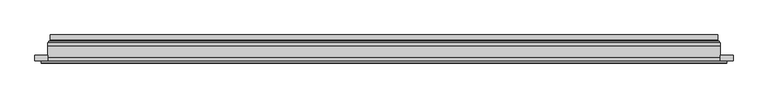
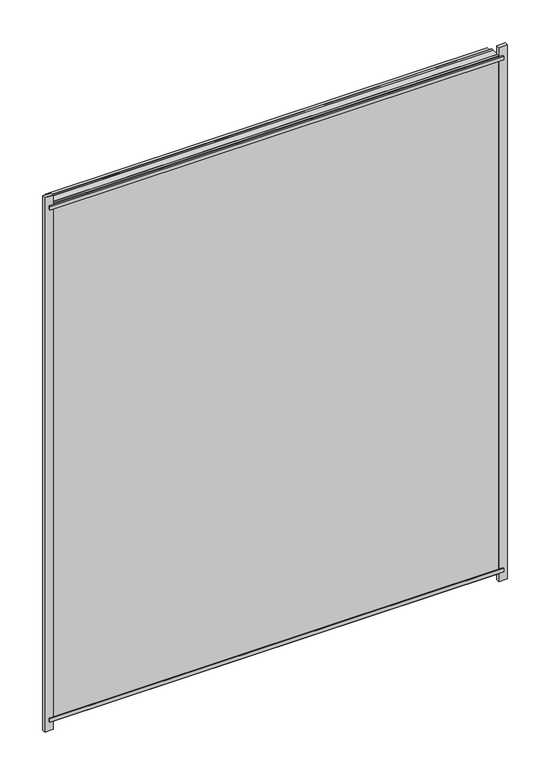
"""IFC4 building model written with IfcOpenShell, lengths in millimetres: plate geometry."""

import ifcopenshell
import ifcopenshell.guid

model = None  # the IFC model being written
_history = None  # IfcOwnerHistory: only IFC2X3 demands one
_inside = {}  # id of a spatial element -> (the spatial element, [elements in it])
_under = {}  # id of a project, library or spatial element -> (it, [spatial elements below it])
_declared = {}  # id of a project -> (the project, [libraries it declares])
_typed = {}  # id of a type object -> (the type object, [elements of that type])
_made_of = {}  # id of a material, layer set ... -> (it, [elements and type objects made of it])


def new_model(schema):
    """Start an empty IFC model of exactly this schema.

    Asked for "IFC4X3", IfcOpenShell would pick the latest addendum, in which some entities
    have other attributes; the version numbers below select the first issue.
    IFC2X3 requires an IfcOwnerHistory on every rooted entity: one is made here for all.
    """
    global model, _history
    if schema == "IFC4X3":
        model = ifcopenshell.file(schema_version=(4, 3, 0, 0))
    else:
        model = ifcopenshell.file(schema=schema)
    _inside.clear()
    _under.clear()
    _declared.clear()
    _typed.clear()
    _made_of.clear()
    _history = None
    if model.schema == "IFC2X3":
        org = make("IfcOrganization", Name="unknown")
        user = make(
            "IfcPersonAndOrganization",
            ThePerson=make("IfcPerson", FamilyName="unknown"),
            TheOrganization=org,
        )
        app = make(
            "IfcApplication",
            ApplicationDeveloper=org,
            Version="unknown",
            ApplicationFullName="unknown",
            ApplicationIdentifier="unknown",
        )
        _history = make(
            "IfcOwnerHistory",
            OwningUser=user,
            OwningApplication=app,
            ChangeAction="ADDED",
            CreationDate=0,
        )
    return model


def make(cls, **values):
    """One entity of the class cls with the attributes given. An attribute that is None is left unset."""
    return model.create_entity(
        cls, **{name: value for name, value in values.items() if value is not None}
    )


def rooted(cls, **values):
    """An entity with a GlobalId (a new one), such as an element, a storey or a relation."""
    return make(cls, GlobalId=ifcopenshell.guid.new(), OwnerHistory=_history, **values)


def si_unit(unit_type, name, prefix=None):
    """IfcSIUnit, for example si_unit("LENGTHUNIT", "METRE", prefix="MILLI")."""
    return make("IfcSIUnit", UnitType=unit_type, Prefix=prefix, Name=name)


def assignment(units):
    """IfcUnitAssignment: the units of a project."""
    return None if units is None else make("IfcUnitAssignment", Units=units)


def point(xyz):
    """IfcCartesianPoint."""
    return None if xyz is None else make("IfcCartesianPoint", Coordinates=xyz)


def direction(xyz):
    """IfcDirection."""
    return None if xyz is None else make("IfcDirection", DirectionRatios=xyz)


def frame(location, z_axis=None, x_axis=None):
    """IfcAxis2Placement3D, a coordinate frame: its origin and axes. An axis left out is left unset."""
    return make(
        "IfcAxis2Placement3D",
        Location=point(location),
        Axis=direction(z_axis),
        RefDirection=direction(x_axis),
    )


def origin():
    """The frame at (0, 0, 0) with its axes left unset."""
    return frame((0.0, 0.0, 0.0))


def place(relative_to, where):
    """IfcLocalPlacement: puts the frame where relative to a parent placement (None: the world)."""
    return make(
        "IfcLocalPlacement", PlacementRelTo=relative_to, RelativePlacement=where
    )


def context(
    kind, dimensions, precision=None, world=None, true_north=None, identifier=None
):
    """IfcGeometricRepresentationContext, for example the 3D "Model" context."""
    return make(
        "IfcGeometricRepresentationContext",
        ContextIdentifier=identifier,
        ContextType=kind,
        CoordinateSpaceDimension=dimensions,
        Precision=precision,
        WorldCoordinateSystem=world,
        TrueNorth=true_north,
    )


def project(units=None, contexts=None):
    """IfcProject with its units and contexts."""
    return rooted(
        "IfcProject",
        Name="project",
        RepresentationContexts=contexts,
        UnitsInContext=assignment(units),
    )


def spatial(cls, under=None, at=None, **own):
    """A site, building, storey or space (cls), placed at a placement, below another one or the project."""
    s = rooted(cls, ObjectPlacement=at, **own)
    if under is not None:
        _under.setdefault(under.id(), (under, []))[1].append(s)
    return s


def polyline(points):
    """IfcPolyline through the points."""
    return make("IfcPolyline", Points=[point(p) for p in points])


def ellipse_curve(where, semi_axis1, semi_axis2):
    """IfcEllipse in the frame where."""
    return make(
        "IfcEllipse", Position=where, SemiAxis1=semi_axis1, SemiAxis2=semi_axis2
    )


def outline(outer, holes=None, kind="AREA"):
    """IfcArbitraryClosedProfileDef: a profile drawn as a closed curve; with holes, ...WithVoids."""
    if holes is None:
        return make("IfcArbitraryClosedProfileDef", ProfileType=kind, OuterCurve=outer)
    return make(
        "IfcArbitraryProfileDefWithVoids",
        ProfileType=kind,
        OuterCurve=outer,
        InnerCurves=holes,
    )


def extrude(swept, where, along, depth):
    """IfcExtrudedAreaSolid: the profile swept, set in the frame where, extruded along a direction by depth."""
    return make(
        "IfcExtrudedAreaSolid",
        SweptArea=swept,
        Position=where,
        ExtrudedDirection=direction(along),
        Depth=depth,
    )


def shape(context_of_items, identifier, shape_type, items):
    """IfcShapeRepresentation: the items that make up one representation, for example the "Body"."""
    return make(
        "IfcShapeRepresentation",
        ContextOfItems=context_of_items,
        RepresentationIdentifier=identifier,
        RepresentationType=shape_type,
        Items=items,
    )


def source(mapping_origin, context_of_items, identifier, shape_type, items):
    """IfcRepresentationMap: a shape defined once, which mapped items show again and again."""
    return make(
        "IfcRepresentationMap",
        MappingOrigin=mapping_origin,
        MappedRepresentation=shape(context_of_items, identifier, shape_type, items),
    )


def transform(
    local_origin,
    x_axis=None,
    y_axis=None,
    z_axis=None,
    scale=None,
    scale2=None,
    scale3=None,
    uniform=True,
):
    """IfcCartesianTransformationOperator3D, or its non-uniform kind. x_axis, y_axis, z_axis: its Axis1, 2, 3."""
    if uniform:
        return make(
            "IfcCartesianTransformationOperator3D",
            Axis1=direction(x_axis),
            Axis2=direction(y_axis),
            LocalOrigin=point(local_origin),
            Scale=scale,
            Axis3=direction(z_axis),
        )
    return make(
        "IfcCartesianTransformationOperator3DnonUniform",
        Axis1=direction(x_axis),
        Axis2=direction(y_axis),
        LocalOrigin=point(local_origin),
        Scale=scale,
        Axis3=direction(z_axis),
        Scale2=scale2,
        Scale3=scale3,
    )


def mapped(mapping_source, mapping_target):
    """IfcMappedItem: shows the shape of a source again, moved by a transform."""
    return make(
        "IfcMappedItem", MappingSource=mapping_source, MappingTarget=mapping_target
    )


def made_of(thing, what):
    """Note that an element or type object is made of a material, layer set ...; save() writes the relation."""
    if what is not None:
        _made_of.setdefault(what.id(), (what, []))[1].append(thing)
    return thing


def element(
    cls,
    number,
    at=None,
    inside=None,
    cuts=None,
    type_object=None,
    material=None,
    context=None,
    identifier="Body",
    shape_type=None,
    held_by="IfcProductDefinitionShape",
    body=None,
    shapes=None,
    **own,
):
    """One element of the class cls, such as IfcWall. Its Tag is "e" and its number.

    at: its placement. inside: the storey or other place that contains it. cuts: it is an
    opening in that element (IfcRelVoidsElement). A single representation is given by context,
    identifier, shape_type and body (its items); several are given by shapes. held_by: the class
    of the entity that holds the representations. save() writes the other relations.
    """
    e = rooted(cls, Tag="e%d" % number, ObjectPlacement=at, **own)
    if body is not None:
        shapes = [shape(context, identifier, shape_type, body)]
    if shapes is not None:
        e.Representation = make(held_by, Representations=shapes)
    if inside is not None:
        _inside.setdefault(inside.id(), (inside, []))[1].append(e)
    if cuts is not None:
        rooted(
            "IfcRelVoidsElement", RelatingBuildingElement=cuts, RelatedOpeningElement=e
        )
    if type_object is not None:
        _typed.setdefault(type_object.id(), (type_object, []))[1].append(e)
    return made_of(e, material)


def aggregate(whole, parts):
    """IfcRelAggregates: a whole, such as a stair, and the parts it consists of."""
    return rooted("IfcRelAggregates", RelatingObject=whole, RelatedObjects=parts)


def save(model, path):
    """Write the relations noted so far, then the file.

    IfcRelAggregates (storeys below a building ...), IfcRelContainedInSpatialStructure (elements
    in a storey), IfcRelDefinesByType, IfcRelAssociatesMaterial and IfcRelDeclares: one each for
    every whole, place, type object, material and project.
    """
    for whole, parts in _under.values():
        aggregate(whole, parts)
    for where, things in _inside.values():
        rooted(
            "IfcRelContainedInSpatialStructure",
            RelatedElements=things,
            RelatingStructure=where,
        )
    for kind, things in _typed.values():
        rooted("IfcRelDefinesByType", RelatedObjects=things, RelatingType=kind)
    for what, things in _made_of.values():
        rooted("IfcRelAssociatesMaterial", RelatedObjects=things, RelatingMaterial=what)
    for by, libraries in _declared.values():
        rooted("IfcRelDeclares", RelatingContext=by, RelatedDefinitions=libraries)
    model.write(path)


def plane_surface(at):
    """IfcPlane: the flat surface through the origin of the frame at, square to its z axis."""
    return make("IfcPlane", Position=at)


def cylinder_surface(at, radius):
    """IfcCylindricalSurface: all points at the distance radius from the z axis of the frame at."""
    return make("IfcCylindricalSurface", Position=at, Radius=radius)


def revolved_surface(curve, axis_point, axis_direction):
    """IfcSurfaceOfRevolution: the curve turned about the line through axis_point along axis_direction."""
    return make(
        "IfcSurfaceOfRevolution",
        SweptCurve=make("IfcArbitraryOpenProfileDef", ProfileType="CURVE", Curve=curve),
        AxisPosition=make("IfcAxis1Placement", Location=point(axis_point), Axis=direction(axis_direction)),
    )


def advanced_brep(points, edges, surfaces, faces):
    """IfcAdvancedBrep: a solid bounded by faces that lie on surfaces and meet in shared edges.

    An edge is (start, end): straight between two places in points (the first is 0);
    or (start, end, curve); or (start, end, curve, False) where it runs against its curve.
    A face is (place in surfaces, loops), or (place, loops, False) where it looks against
    its surface's normal. A loop lists edges by number (the first is 1), with a minus sign
    where the edge is run from its end to its start. The first loop is the outer one.
    """
    corners = [point(p) for p in points]
    vertices = [make("IfcVertexPoint", VertexGeometry=c) for c in corners]
    made = []
    for start, end, *more in edges:
        made.append(
            make(
                "IfcEdgeCurve",
                EdgeStart=vertices[start],
                EdgeEnd=vertices[end],
                EdgeGeometry=more[0] if more else make("IfcPolyline", Points=[corners[start], corners[end]]),
                SameSense=more[1] if len(more) > 1 else True,
            )
        )
    hull = []
    for where, loops, *sense in faces:
        bounds = []
        for j, loop in enumerate(loops):
            ring = [make("IfcOrientedEdge", EdgeElement=made[abs(k) - 1], Orientation=k > 0) for k in loop]
            bounds.append(
                make(
                    "IfcFaceOuterBound" if j == 0 else "IfcFaceBound",
                    Bound=make("IfcEdgeLoop", EdgeList=ring),
                    Orientation=True,
                )
            )
        hull.append(make("IfcAdvancedFace", Bounds=bounds, FaceSurface=surfaces[where], SameSense=sense[0] if sense else True))
    return make("IfcAdvancedBrep", Outer=make("IfcClosedShell", CfsFaces=hull))


def plate_c7b25fd7(model_context):
    return source(origin(), model_context, "Body", "SolidModel", [
        extrude(outline(polyline([(612.5, -27.0), (-612.5, -27.0), (-612.5, -23.0), (612.5, -23.0), (612.5, -27.0)])), frame((0.0, 0.0, 1469.5000001), z_axis=(0.0, 0.0, 1.0), x_axis=(1.0, 0.0, 0.0)), (0.0, 0.0, 1.0), 10.0),
        extrude(outline(polyline([(612.5, -27.0), (-612.5, -27.0), (-612.5, -23.0), (612.5, -23.0), (612.5, -27.0)])), frame((0.0, 0.0, 9.5), z_axis=(0.0, 0.0, 1.0), x_axis=(1.0, 0.0, 0.0)), (0.0, 0.0, 1.0), 10.0),
        extrude(outline(polyline([(-624.0, -23.0), (-624.0, -13.51), (-601.0, -13.51), (-601.0, -23.0), (-624.0, -23.0)])), frame((0.0, 0.0, -17.0), z_axis=(0.0, 0.0, 1.0), x_axis=(1.0, 0.0, 0.0)), (0.0, 0.0, 1.0), 1523.0000001),
        extrude(outline(polyline([(624.0, -23.0), (601.0, -23.0), (601.0, -13.51), (624.0, -13.51), (624.0, -23.0)])), frame((0.0, 0.0, -17.0), z_axis=(0.0, 0.0, 1.0), x_axis=(1.0, 0.0, 0.0)), (0.0, 0.0, 1.0), 1523.0000001),
        extrude(outline(polyline([(6.0, -601.0), (6.0, 601.0), (1483.0000001, 601.0), (1483.0000001, -601.0), (6.0, -601.0)]), holes=[polyline([(28.0, 579.0), (28.0, -579.0), (1461.0000001, -579.0), (1461.0000001, 579.0), (28.0, 579.0)])]), frame((0.0, -17.0, 0.0), z_axis=(0.0, 1.0, 0.0), x_axis=(0.0, 0.0, 1.0)), (0.0, 0.0, 1.0), 20.0),
        extrude(outline(polyline([(28.0, -579.0), (28.0, 579.0), (1461.0000001, 579.0), (1461.0000001, -579.0), (28.0, -579.0)]), holes=[polyline([(33.0, 574.0), (33.0, -574.0), (1456.0000001, -574.0), (1456.0000001, 574.0), (33.0, 574.0)])]), frame((0.0, -17.0, 0.0), z_axis=(0.0, 1.0, 0.0), x_axis=(0.0, 0.0, 1.0)), (0.0, 0.0, 1.0), 20.0),
        extrude(outline(polyline([(601.0, 9.0), (601.0, 3.0), (-601.0, 3.0), (-601.0, 9.0), (601.0, 9.0)])), frame((0.0, 0.0, 6.0), z_axis=(0.0, 0.0, 1.0), x_axis=(1.0, 0.0, 0.0)), (0.0, 0.0, 1.0), 1477.0000001),
        extrude(outline(polyline([(-601.0, -23.0), (-601.0, -17.0), (601.0, -17.0), (601.0, -23.0), (-601.0, -23.0)])), frame((0.0, 0.0, 6.0), z_axis=(0.0, 0.0, 1.0), x_axis=(1.0, 0.0, 0.0)), (0.0, 0.0, 1.0), 1477.0000001),
        advanced_brep(
        [(-596.5, 23.0, 10.5), (596.5, 23.0, 10.5), (596.5, 13.9230471, 10.5), (-596.5, 13.9230471, 10.5), (-587.5, 12.9110883, 19.5), (587.5, 12.9110883, 19.5), (587.5, 23.0, 19.5), (-587.5, 23.0, 19.5), (596.5, 23.0, 1478.5000001), (596.5, 13.9230471, 1478.5000001), (587.5, 12.9110883, 1469.5000001), (587.5, 23.0, 1469.5000001), (-596.5, 23.0, 1478.5000001), (-596.5, 13.9230471, 1478.5000001), (-587.5, 12.9110883, 1469.5000001), (-587.5, 23.0, 1469.5000001), (-597.7540757, 9.0, 9.2459243), (597.7540757, 9.0, 9.2459243), (597.7540757, 9.0, 1479.7540758), (-597.7540757, 9.0, 1479.7540758), (587.2, 9.0, 19.8), (-587.2, 9.0, 19.8), (-587.2, 9.0, 1469.2000001), (587.2, 9.0, 1469.2000001), (-586.5625, 11.2166581, 20.4375), (586.5625, 11.2166581, 20.4375), (-598.0737575, 11.9689955, 8.9262425), (598.0737575, 11.9689955, 8.9262425), (586.5625, 11.2166581, 1468.5625001), (598.0737575, 11.9689955, 1480.0737577), (-586.5625, 11.2166581, 1468.5625001), (-598.0737575, 11.9689955, 1480.0737577)],
        [
            (0, 1),
            (1, 2),
            (2, 3),
            (3, 0),
            (4, 5),
            (5, 6),
            (6, 7),
            (7, 4),
            (1, 8),
            (8, 9),
            (9, 2),
            (5, 10),
            (10, 11),
            (11, 6),
            (8, 12),
            (12, 13),
            (13, 9),
            (10, 14),
            (14, 15),
            (15, 11),
            (16, 17),
            (17, 18),
            (18, 19),
            (19, 16),
            (20, 21),
            (21, 22),
            (22, 23),
            (23, 20),
            (12, 0),
            (3, 13),
            (15, 7),
            (14, 4),
            (24, 25),
            (25, 5, ellipse_curve(frame((585.5, 12.9110883, 21.5), z_axis=(0.7071067811865475, 0.0, 0.7071067811865475), x_axis=(0.7071067811865476, 0.0, -0.7071067811865474)), 2.8284271, 2.0)),
            (4, 24, ellipse_curve(frame((-585.5, 12.9110883, 21.5), z_axis=(-0.7071067811865475, 0.0, 0.7071067811865475), x_axis=(0.7071067811865476, 0.0, 0.7071067811865474)), 2.8284271, 2.0)),
            (20, 25, ellipse_curve(frame((587.2, 10.2, 19.8), z_axis=(-0.7071067811865475, 0.0, -0.7071067811865475), x_axis=(-0.7071067811865476, 0.0, 0.7071067811865474)), 1.6970563, 1.2)),
            (24, 21, ellipse_curve(frame((-587.2, 10.2, 19.8), z_axis=(0.7071067811865475, 0.0, -0.7071067811865475), x_axis=(-0.7071067811865476, 0.0, -0.7071067811865474)), 1.6970563, 1.2)),
            (26, 27),
            (27, 17, ellipse_curve(frame((597.7540757, 10.5034569, 9.2459243), z_axis=(-0.7071067811865475, 0.0, -0.7071067811865475), x_axis=(-0.7071067811865476, 0.0, 0.7071067811865474)), 2.1213203, 1.5)),
            (16, 26, ellipse_curve(frame((-597.7540757, 10.5034569, 9.2459243), z_axis=(0.7071067811865475, 0.0, -0.7071067811865475), x_axis=(-0.7071067811865476, 0.0, -0.7071067811865474)), 2.1213203, 1.5)),
            (25, 28),
            (28, 10, ellipse_curve(frame((585.5, 12.9110883, 1467.5000001), z_axis=(-0.7071067811865475, 0.0, 0.7071067811865475), x_axis=(0.7071067811865474, 0.0, 0.7071067811865476)), 2.8284271, 2.0)),
            (23, 28, ellipse_curve(frame((587.2, 10.2, 1469.2000001), z_axis=(0.7071067811865475, 0.0, -0.7071067811865475), x_axis=(-0.7071067811865474, 0.0, -0.7071067811865476)), 1.6970563, 1.2)),
            (27, 29),
            (29, 18, ellipse_curve(frame((597.7540757, 10.5034569, 1479.7540758), z_axis=(0.7071067811865475, 0.0, -0.7071067811865475), x_axis=(-0.7071067811865474, 0.0, -0.7071067811865476)), 2.1213203, 1.5)),
            (28, 30),
            (30, 14, ellipse_curve(frame((-585.5, 12.9110883, 1467.5000001), z_axis=(-0.7071067811865475, 0.0, -0.7071067811865475), x_axis=(-0.7071067811865476, 0.0, 0.7071067811865474)), 2.8284271, 2.0)),
            (22, 30, ellipse_curve(frame((-587.2, 10.2, 1469.2000001), z_axis=(0.7071067811865475, 0.0, 0.7071067811865475), x_axis=(0.7071067811865476, 0.0, -0.7071067811865474)), 1.6970563, 1.2)),
            (29, 31),
            (31, 19, ellipse_curve(frame((-597.7540757, 10.5034569, 1479.7540758), z_axis=(0.7071067811865475, 0.0, 0.7071067811865475), x_axis=(0.7071067811865476, 0.0, -0.7071067811865474)), 2.1213203, 1.5)),
            (30, 24),
            (31, 26),
            (2, 27, ellipse_curve(frame((598.5, 13.9230471, 8.5), z_axis=(0.7071067811865475, 0.0, 0.7071067811865475), x_axis=(0.7071067811865476, 0.0, -0.7071067811865474)), 2.8284271, 2.0)),
            (26, 3, ellipse_curve(frame((-598.5, 13.9230471, 8.5), z_axis=(-0.7071067811865475, 0.0, 0.7071067811865475), x_axis=(0.7071067811865476, 0.0, 0.7071067811865474)), 2.8284271, 2.0)),
            (9, 29, ellipse_curve(frame((598.5, 13.9230471, 1480.5000001), z_axis=(-0.7071067811865475, 0.0, 0.7071067811865475), x_axis=(0.7071067811865474, 0.0, 0.7071067811865476)), 2.8284271, 2.0)),
            (13, 31, ellipse_curve(frame((-598.5, 13.9230471, 1480.5000001), z_axis=(-0.7071067811865475, 0.0, -0.7071067811865475), x_axis=(-0.7071067811865476, 0.0, 0.7071067811865474)), 2.8284271, 2.0)),
        ],
        [
            plane_surface(frame((-596.5, 13.9230471, 10.5), z_axis=(0.0, 0.0, -1.0), x_axis=(1.0, 0.0, 0.0))),
            plane_surface(frame((-587.5, 23.0, 19.5), z_axis=(0.0, 0.0, 1.0), x_axis=(1.0, 0.0, 0.0))),
            plane_surface(frame((596.5, 13.9230471, 10.5), z_axis=(1.0, 0.0, 0.0), x_axis=(0.0, 0.0, 1.0))),
            plane_surface(frame((587.5, 23.0, 19.5), z_axis=(-1.0, 0.0, 0.0), x_axis=(0.0, 0.0, 1.0))),
            plane_surface(frame((596.5, 13.9230471, 1478.5000001), z_axis=(0.0, 0.0, 1.0), x_axis=(-1.0, 0.0, 0.0))),
            plane_surface(frame((587.5, 23.0, 1469.5000001), z_axis=(0.0, 0.0, -1.0), x_axis=(-1.0, 0.0, 0.0))),
            plane_surface(frame((-587.2, 9.0, 1469.2000001), z_axis=(0.0, -1.0, 0.0), x_axis=(0.0, 0.0, -1.0))),
            plane_surface(frame((-596.5, 13.9230471, 1478.5000001), z_axis=(-1.0, 0.0, 0.0), x_axis=(0.0, 0.0, -1.0))),
            plane_surface(frame((-596.5, 23.0, 1478.5000001), z_axis=(0.0, 1.0, 0.0), x_axis=(0.0, 0.0, -1.0))),
            plane_surface(frame((-587.5, 23.0, 1469.5000001), z_axis=(1.0, 0.0, 0.0), x_axis=(0.0, 0.0, -1.0))),
            revolved_surface(polyline([(587.5, 10.9110883, 21.5), (-587.5, 10.9110883, 21.5)]), (-601.0, 12.9110883, 21.5), (1.0, 0.0, 0.0)),
            cylinder_surface(frame((-601.0, 10.2, 19.8), z_axis=(-1.0, 0.0, 0.0), x_axis=(0.0, -1.0, 0.0)), 1.2),
            cylinder_surface(frame((-601.0, 10.5034569, 9.2459243), z_axis=(-1.0, 0.0, 0.0), x_axis=(0.0, -1.0, 0.0)), 1.5),
            revolved_surface(polyline([(585.5, 10.9110883, 1469.5000001), (585.5, 10.9110883, 19.5)]), (585.5, 12.9110883, 6.0), (0.0, 0.0, 1.0)),
            cylinder_surface(frame((587.2, 10.2, 6.0), z_axis=(0.0, 0.0, -1.0), x_axis=(0.0, -1.0, 0.0)), 1.2),
            cylinder_surface(frame((597.7540757, 10.5034569, 6.0), z_axis=(0.0, 0.0, -1.0), x_axis=(0.0, -1.0, 0.0)), 1.5),
            revolved_surface(polyline([(-587.5, 10.9110883, 1467.5000001), (587.5, 10.9110883, 1467.5000001)]), (601.0, 12.9110883, 1467.5000001), (-1.0, 0.0, 0.0)),
            cylinder_surface(frame((601.0, 10.2, 1469.2000001), z_axis=(1.0, 0.0, 0.0), x_axis=(0.0, -1.0, 0.0)), 1.2),
            cylinder_surface(frame((601.0, 10.5034569, 1479.7540758), z_axis=(1.0, 0.0, 0.0), x_axis=(0.0, -1.0, 0.0)), 1.5),
            revolved_surface(polyline([(-585.5, 10.9110883, 19.5), (-585.5, 10.9110883, 1469.5000001)]), (-585.5, 12.9110883, 1483.0000001), (0.0, 0.0, -1.0)),
            cylinder_surface(frame((-587.2, 10.2, 1483.0000001), z_axis=(0.0, 0.0, 1.0), x_axis=(0.0, -1.0, 0.0)), 1.2),
            cylinder_surface(frame((-597.7540757, 10.5034569, 1483.0000001), z_axis=(0.0, 0.0, 1.0), x_axis=(0.0, -1.0, 0.0)), 1.5),
            revolved_surface(polyline([(600.4999999825018, 11.9230471, 8.5), (-600.4999999825018, 11.9230471, 8.5)]), (-601.0, 13.9230471, 8.5), (1.0, 0.0, 0.0)),
            revolved_surface(polyline([(598.5, 11.9230471, 1482.5000000825019), (598.5, 11.9230471, 6.500000017498199)]), (598.5, 13.9230471, 6.0), (0.0, 0.0, 1.0)),
            revolved_surface(polyline([(-600.4999999825018, 11.9230471, 1480.5000001), (600.4999999825018, 11.9230471, 1480.5000001)]), (601.0, 13.9230471, 1480.5000001), (-1.0, 0.0, 0.0)),
            revolved_surface(polyline([(-598.5, 11.9230471, 6.500000017498223), (-598.5, 11.9230471, 1482.5000000825019)]), (-598.5, 13.9230471, 1483.0000001), (0.0, 0.0, -1.0)),
        ],
        [
            (0, [[1, 2, 3, 4]]),
            (1, [[5, 6, 7, 8]]),
            (2, [[9, 10, 11, -2]]),
            (3, [[12, 13, 14, -6]]),
            (4, [[15, 16, 17, -10]]),
            (5, [[18, 19, 20, -13]]),
            (6, [[21, 22, 23, 24], [25, 26, 27, 28]]),
            (7, [[29, -4, 30, -16]]),
            (8, [[-1, -29, -15, -9], [-7, -14, -20, 31]]),
            (9, [[32, -8, -31, -19]]),
            (10, [[33, 34, -5, 35]]),
            (11, [[-25, 36, -33, 37]]),
            (12, [[38, 39, -21, 40]]),
            (13, [[41, 42, -12, -34]]),
            (14, [[-28, 43, -41, -36]]),
            (15, [[44, 45, -22, -39]]),
            (16, [[46, 47, -18, -42]]),
            (17, [[-27, 48, -46, -43]]),
            (18, [[49, 50, -23, -45]]),
            (19, [[51, -35, -32, -47]]),
            (20, [[-26, -37, -51, -48]]),
            (21, [[52, -40, -24, -50]]),
            (22, [[-3, 53, -38, 54]]),
            (23, [[-11, 55, -44, -53]]),
            (24, [[-17, 56, -49, -55]]),
            (25, [[-30, -54, -52, -56]]),
        ],
    ),
    ])


if __name__ == "__main__":
    model = new_model("IFC4")
    model_context = context("Model", 3, world=origin())
    ifc_project = project(units=[si_unit("LENGTHUNIT", "METRE", prefix="MILLI")], contexts=[model_context])
    site = spatial("IfcSite", under=ifc_project)
    building = spatial("IfcBuilding", under=site)
    placement = place(None, origin())
    plate_shape = plate_c7b25fd7(model_context)
    element("IfcPlate", 1, at=placement, inside=building, context=model_context, shape_type="MappedRepresentation", body=[
        mapped(plate_shape, transform((0.0, 0.0, 0.0), x_axis=(1.0, 0.0, 0.0), y_axis=(0.0, 1.0, 0.0), z_axis=(0.0, 0.0, 1.0))),
    ])
    save(model, "model.ifc")
